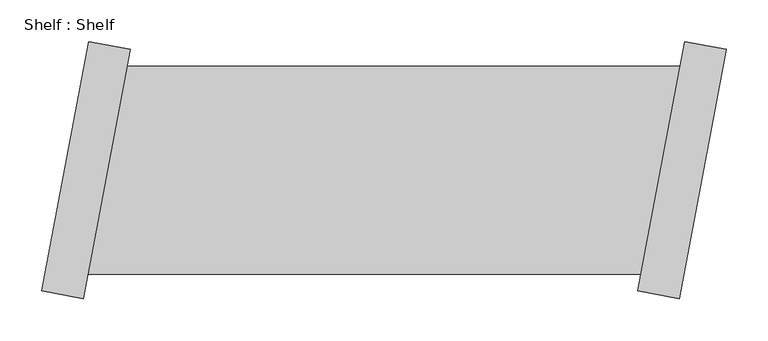
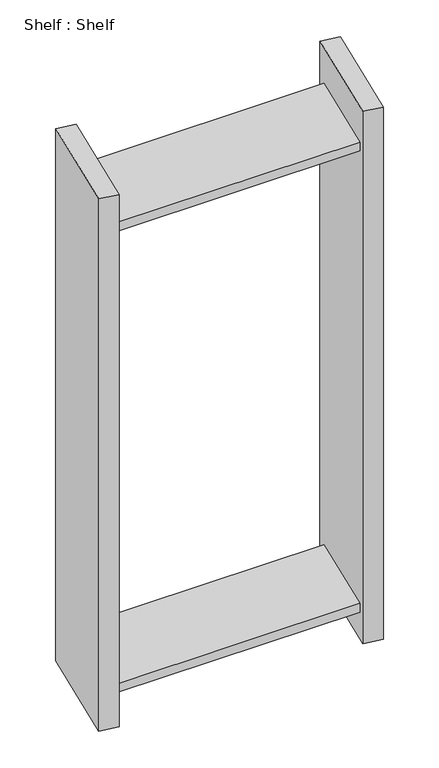
"""IFC4 building model written with IfcOpenShell, lengths in millimetres: proxy geometry, Shelf : Shelf."""

from ifc_helpers import new_model, si_unit, origin, place, context, project, spatial, faceted_brep, source, transform, mapped, element, save


def shelf_shelf_650e302a(model_context):
    return source(origin(), model_context, "Body", "Brep", [
        faceted_brep([(-398.1177877, 124.7929175, 1422.4), (-398.1177877, 124.7929175, 1397.0), (-1062.5161388, 124.7929175, 1397.0), (-1062.5161388, 124.7929175, 1422.4), (-445.2655449, -124.7929175, 1397.0), (-1109.6638961, -124.7929175, 1397.0), (-445.2655449, -124.7929175, 1422.4), (-1109.6638961, -124.7929175, 1422.4), (-342.5952051, 145.0367252, 0.0), (-399.1725138, -154.4662767, 0.0), (-449.0896808, -145.0367252, 0.0), (-392.512372, 154.4662767, 0.0), (-399.1725138, -154.4662767, 1524.0), (-449.0896808, -145.0367252, 1524.0), (-342.5952051, 145.0367252, 1524.0), (-392.512372, 154.4662767, 1524.0), (-445.2655449, -124.7929175, 76.2), (-398.1177877, 124.7929175, 76.2), (-398.1177877, 124.7929175, 101.6), (-445.2655449, -124.7929175, 101.6), (-1109.6638961, -124.7929175, 76.2), (-1062.5161388, 124.7929175, 76.2), (-1109.6638961, -124.7929175, 101.6), (-1062.5161388, 124.7929175, 101.6), (-1165.1864787, -145.0367252, 0.0), (-1108.60917, 154.4662767, 0.0), (-1058.692003, 145.0367252, 0.0), (-1115.2693117, -154.4662767, 0.0), (-1115.2693117, -154.4662767, 1524.0), (-1165.1864787, -145.0367252, 1524.0), (-1058.692003, 145.0367252, 1524.0), (-1108.60917, 154.4662767, 1524.0)], [[[0, 1, 2, 3]], [[1, 4, 5, 2]], [[4, 6, 7, 5]], [[6, 0, 3, 7]], [[8, 9, 10, 11]], [[10, 9, 12, 13]], [[13, 12, 14, 15]], [[8, 11, 15, 14]], [[11, 10, 13, 15], [1, 0, 6, 4], [16, 17, 18, 19]], [[9, 8, 14, 12]], [[17, 16, 20, 21]], [[16, 19, 22, 20]], [[19, 18, 23, 22]], [[18, 17, 21, 23]], [[24, 25, 26, 27]], [[24, 27, 28, 29]], [[29, 28, 30, 31]], [[26, 25, 31, 30]], [[27, 26, 30, 28], [3, 2, 5, 7], [21, 20, 22, 23]], [[25, 24, 29, 31]]]),
    ])


if __name__ == "__main__":
    model = new_model("IFC4")
    model_context = context("Model", 3, world=origin())
    ifc_project = project(units=[si_unit("LENGTHUNIT", "METRE", prefix="MILLI")], contexts=[model_context])
    site = spatial("IfcSite", under=ifc_project)
    building = spatial("IfcBuilding", under=site)
    placement = place(None, origin())
    shelf_shelf_shape = shelf_shelf_650e302a(model_context)
    element("IfcBuildingElementProxy", 1, Name="Shelf : Shelf", ObjectType="Shelf : Shelf", at=placement, inside=building, context=model_context, shape_type="MappedRepresentation", body=[
        mapped(shelf_shelf_shape, transform((0.0, 0.0, 0.0), x_axis=(1.0, 0.0, 0.0), y_axis=(0.0, 1.0, 0.0), z_axis=(0.0, 0.0, 1.0))),
    ])
    save(model, "model.ifc")
